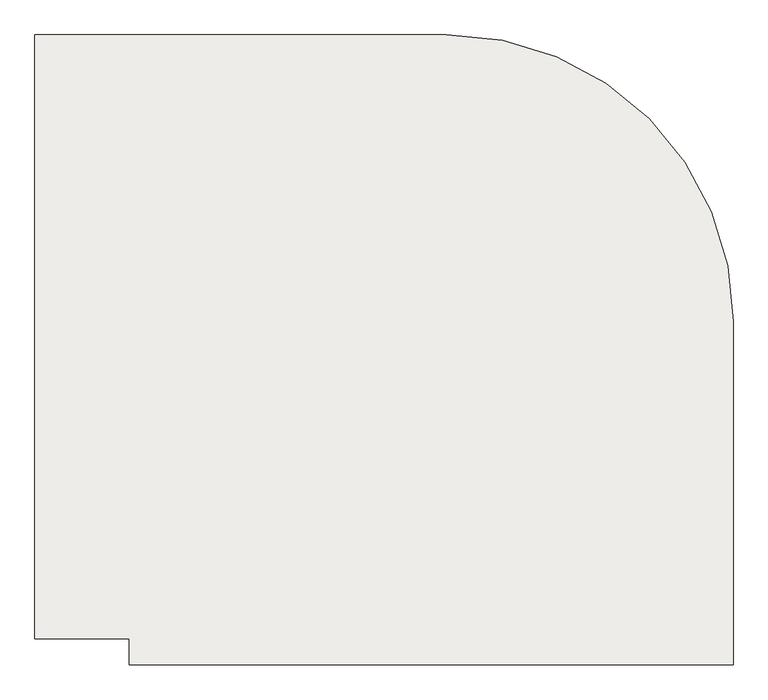
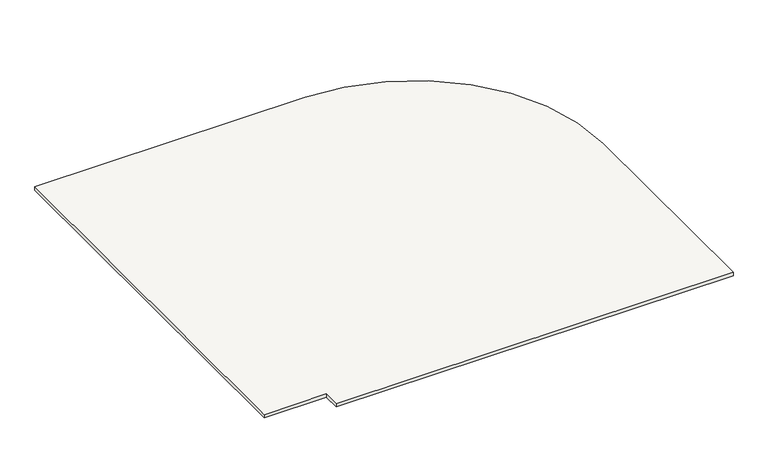
"""IFC4 building model written with IfcOpenShell, lengths in millimetres: slab geometry."""

from ifc_helpers import new_model, si_unit, point, frame, frame_2d, origin, place, context, project, spatial, polyline, circle_curve, trimmed, segment, composite_curve, outline, extrude, source, transform, mapped, element, save


def slab_91b657c3(model_context):
    return source(origin(), model_context, "Body", "SweptSolid", [
        extrude(outline(composite_curve([segment(polyline([(140483.87072, 85605.6888948), (140483.87072, 85709.8253141), (140107.7671954, 85709.8253141), (140107.7671954, 88109.8253141), (141743.87072, 88109.8253141)]), True, "CONTINUOUS"), segment(trimmed(circle_curve(frame_2d((141743.87072, 86969.8253141)), 1140.0), [point((141743.87072, 88109.8253141))], [point((142883.87072, 86969.8253141))], False, "CARTESIAN"), True, "CONTINUOUS"), segment(polyline([(142883.87072, 86969.8253141), (142883.87072, 85605.6888948), (140483.87072, 85605.6888948)]), True, "CONTINUOUS")], self_intersect=False)), frame((0.0, 0.0, 3777.703447), z_axis=(0.0, 0.0, 1.0), x_axis=(1.0, 0.0, 0.0)), (0.0, 0.0, 1.0), 20.0),
    ])


if __name__ == "__main__":
    model = new_model("IFC4")
    model_context = context("Model", 3, world=origin())
    ifc_project = project(units=[si_unit("LENGTHUNIT", "METRE", prefix="MILLI")], contexts=[model_context])
    site = spatial("IfcSite", under=ifc_project)
    building = spatial("IfcBuilding", under=site)
    placement = place(None, origin())
    slab_shape = slab_91b657c3(model_context)
    element("IfcSlab", 1, at=placement, inside=building, context=model_context, shape_type="MappedRepresentation", body=[
        mapped(slab_shape, transform((0.0, 0.0, 0.0), x_axis=(1.0, 0.0, 0.0), y_axis=(0.0, 1.0, 0.0), z_axis=(0.0, 0.0, 1.0))),
    ])
    save(model, "model.ifc")
